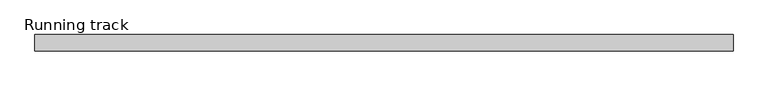
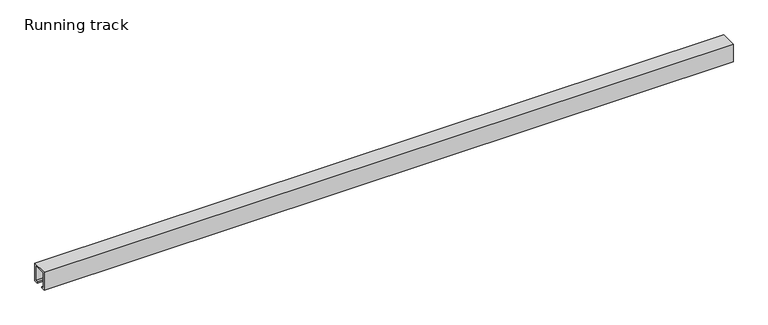
"""IFC4 building model written with IfcOpenShell, lengths in millimetres: proxy geometry, Running track."""

from ifc_helpers import new_model, si_unit, frame, origin, place, context, project, spatial, polyline, outline, extrude, source, transform, mapped, element, save


def running_track_3e4fe402(model_context):
    return source(origin(), model_context, "Body", "SweptSolid", [
        extrude(outline(polyline([(17.0, 40.0), (17.0, 0.0), (9.0, 0.0), (9.0, 3.0), (14.0, 3.0), (14.0, 37.0), (-14.0, 37.0), (-14.0, 3.0), (-9.0, 3.0), (-9.0, 0.0), (-17.0, 0.0), (-17.0, 40.0), (17.0, 40.0)])), frame((0.0, 0.0, 0.0), z_axis=(1.0, 0.0, 0.0), x_axis=(0.0, 1.0, 0.0)), (0.0, 0.0, 1.0), 1465.0),
    ])


if __name__ == "__main__":
    model = new_model("IFC4")
    model_context = context("Model", 3, world=origin())
    ifc_project = project(units=[si_unit("LENGTHUNIT", "METRE", prefix="MILLI")], contexts=[model_context])
    site = spatial("IfcSite", under=ifc_project)
    building = spatial("IfcBuilding", under=site)
    placement = place(None, origin())
    running_track_shape = running_track_3e4fe402(model_context)
    element("IfcBuildingElementProxy", 1, Name="Running track", ObjectType="Running track", at=placement, inside=building, context=model_context, shape_type="MappedRepresentation", body=[
        mapped(running_track_shape, transform((0.0, 0.0, 0.0), x_axis=(1.0, 0.0, 0.0), y_axis=(0.0, 1.0, 0.0), z_axis=(0.0, 0.0, 1.0))),
    ])
    save(model, "model.ifc")
